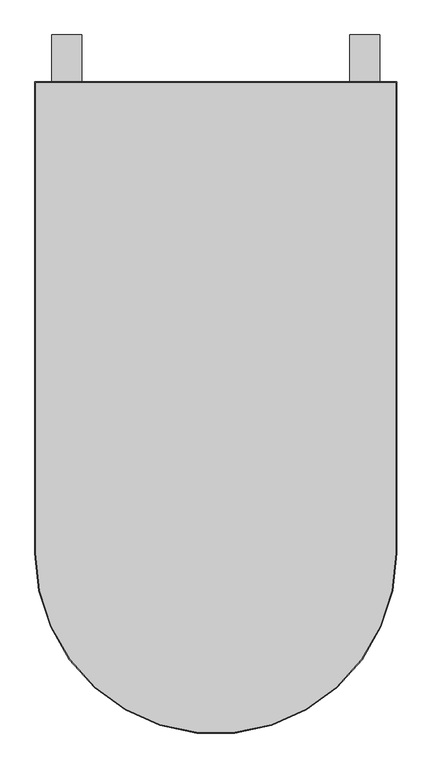
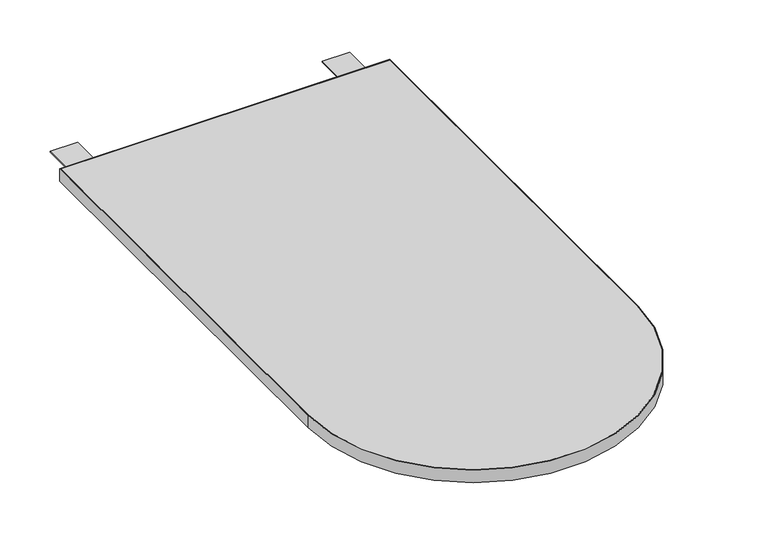
"""IFC4 building model written with IfcOpenShell, lengths in millimetres: furniture geometry."""

from ifc_helpers import new_model, si_unit, point, frame, frame_2d, origin, place, context, project, spatial, polyline, circle_curve, trimmed, segment, composite_curve, outline, extrude, source, transform, mapped, element, save


def furniture_e087120b(model_context):
    return source(origin(), model_context, "Body", "SweptSolid", [
        extrude(outline(polyline([(-862.8095985, 382.5736437), (-862.8095985, 185.7236437), (-926.3095985, 185.7236437), (-926.3095985, 382.5736437), (-862.8095985, 382.5736437)])), frame((0.0, 0.0, 704.9262), z_axis=(0.0, 0.0, 1.0), x_axis=(1.0, 0.0, 0.0)), (0.0, 0.0, 1.0), 2.0828),
        extrude(outline(polyline([(-237.2075985, 382.5736437), (-237.2075985, 185.7236437), (-300.7075985, 185.7236437), (-300.7075985, 382.5736437), (-237.2075985, 382.5736437)])), frame((0.0, 0.0, 704.9262), z_axis=(0.0, 0.0, 1.0), x_axis=(1.0, 0.0, 0.0)), (0.0, 0.0, 1.0), 2.0828),
        extrude(outline(composite_curve([segment(polyline([(-203.8827985, 282.5484437), (-203.8827985, -704.9273563)]), True, "CONTINUOUS"), segment(trimmed(circle_curve(frame_2d((-581.7585985, -704.9273563)), 377.8758), [point((-203.8827985, -704.9273563))], [point((-959.6343985, -704.9273563))], False, "CARTESIAN"), True, "CONTINUOUS"), segment(polyline([(-959.6343985, -704.9273563), (-959.6343985, 282.5484437), (-203.8827985, 282.5484437)]), True, "CONTINUOUS")], self_intersect=False)), frame((0.0, 0.0, 707.009), z_axis=(0.0, 0.0, 1.0), x_axis=(1.0, 0.0, 0.0)), (0.0, 0.0, 1.0), 29.591),
        extrude(outline(composite_curve([segment(polyline([(-961.2218985, -704.9273563), (-961.2218985, 284.1359437), (-202.2952985, 284.1359437), (-202.2952985, -704.9273563)]), True, "CONTINUOUS"), segment(trimmed(circle_curve(frame_2d((-581.7585985, -704.9273563)), 379.4633), [point((-202.2952985, -704.9273563))], [point((-961.2218985, -704.9273563))], False, "CARTESIAN"), True, "CONTINUOUS")], self_intersect=False), holes=[composite_curve([segment(polyline([(-203.8827985, -704.9273563), (-203.8827985, 282.5484437), (-959.6343985, 282.5484437), (-959.6343985, -704.9273563)]), True, "CONTINUOUS"), segment(trimmed(circle_curve(frame_2d((-581.7585985, -704.9273563)), 377.8758), [point((-959.6343985, -704.9273563))], [point((-203.8827985, -704.9273563))], True, "CARTESIAN"), True, "CONTINUOUS")], self_intersect=False)]), frame((0.0, 0.0, 707.009), z_axis=(0.0, 0.0, 1.0), x_axis=(1.0, 0.0, 0.0)), (0.0, 0.0, 1.0), 29.591),
    ])


if __name__ == "__main__":
    model = new_model("IFC4")
    model_context = context("Model", 3, world=origin())
    ifc_project = project(units=[si_unit("LENGTHUNIT", "METRE", prefix="MILLI")], contexts=[model_context])
    site = spatial("IfcSite", under=ifc_project)
    building = spatial("IfcBuilding", under=site)
    placement = place(None, origin())
    furniture_shape = furniture_e087120b(model_context)
    element("IfcFurniture", 1, at=placement, inside=building, context=model_context, shape_type="MappedRepresentation", body=[
        mapped(furniture_shape, transform((0.0, 0.0, 0.0), x_axis=(1.0, 0.0, 0.0), y_axis=(0.0, 1.0, 0.0), z_axis=(0.0, 0.0, 1.0))),
    ])
    save(model, "model.ifc")
